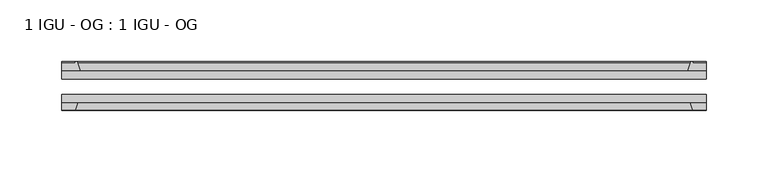
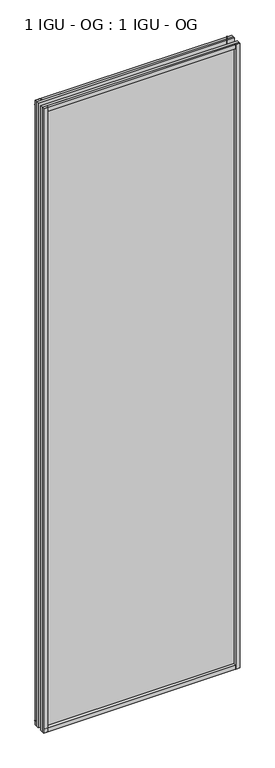
"""IFC4 building model written with IfcOpenShell, lengths in millimetres: plate geometry, 1 IGU - OG : 1 IGU - OG."""

from ifc_helpers import new_model, si_unit, point, frame, frame_2d, origin, place, context, project, spatial, polyline, circle_curve, trimmed, segment, composite_curve, outline, extrude, source, transform, mapped, element, save


def plate_1_igu_og_1_igu_og_d966d941(model_context):
    return source(origin(), model_context, "Body", "SweptSolid", [
        extrude(outline(polyline([(261.9375, -31.75), (261.9375, -38.1), (-261.9375, -38.1), (-261.9375, -31.75), (261.9375, -31.75)])), frame((0.0, 0.0, -11.1125), z_axis=(0.0, 0.0, 1.0), x_axis=(1.0, 0.0, 0.0)), (0.0, 0.0, 1.0), 1755.775),
        extrude(outline(polyline([(-261.9375, -12.7), (261.9375, -12.7), (261.9375, -19.05), (-261.9375, -19.05), (-261.9375, -12.7)])), frame((0.0, 0.0, -11.1125), z_axis=(0.0, 0.0, 1.0), x_axis=(1.0, 0.0, 0.0)), (0.0, 0.0, 1.0), 1755.775),
        extrude(outline(composite_curve([segment(polyline([(-246.6017091, -12.7), (-261.9375, -12.7), (-261.9375, -6.35), (-250.825, -6.35), (-250.825, -4.7751661), (-249.895586, -4.7751661)]), True, "CONTINUOUS"), segment(trimmed(circle_curve(frame_2d((-249.895586, -5.5371661)), 0.762), [point((-249.895586, -4.7751661))], [point((-249.1533761, -5.364631))], False, "CARTESIAN"), True, "CONTINUOUS"), segment(trimmed(circle_curve(frame_2d((-213.5241579, 2.9177851)), 36.5792237), [point((-249.1533761, -5.364631))], [point((-246.6017091, -12.7))], True, "CARTESIAN"), True, "CONTINUOUS")], self_intersect=False)), frame((0.0, 0.0, -11.1125), z_axis=(0.0, 0.0, 1.0), x_axis=(1.0, 0.0, 0.0)), (0.0, 0.0, 1.0), 1755.775),
        extrude(outline(polyline([(-261.9375, -38.1), (-248.7197229, -38.1), (-250.825, -44.45), (-261.9375, -44.45), (-261.9375, -38.1)])), frame((0.0, 0.0, -11.1125), z_axis=(0.0, 0.0, 1.0), x_axis=(1.0, 0.0, 0.0)), (0.0, 0.0, 1.0), 1755.775),
        extrude(outline(composite_curve([segment(trimmed(circle_curve(frame_2d((249.895586, -5.5371661)), 0.762), [point((249.1533761, -5.364631))], [point((249.895586, -4.7751661))], False, "CARTESIAN"), True, "CONTINUOUS"), segment(polyline([(249.895586, -4.7751661), (250.825, -4.7751661), (250.825, -6.35), (261.9375, -6.35), (261.9375, -12.7), (246.6017091, -12.7)]), True, "CONTINUOUS"), segment(trimmed(circle_curve(frame_2d((213.5241579, 2.9177851)), 36.5792237), [point((246.6017091, -12.7))], [point((249.1533761, -5.364631))], True, "CARTESIAN"), True, "CONTINUOUS")], self_intersect=False)), frame((0.0, 0.0, -11.1125), z_axis=(0.0, 0.0, 1.0), x_axis=(1.0, 0.0, 0.0)), (0.0, 0.0, 1.0), 1755.775),
        extrude(outline(polyline([(248.7197229, -38.1), (261.9375, -38.1), (261.9375, -44.45), (250.825, -44.45), (248.7197229, -38.1)])), frame((0.0, 0.0, -11.1125), z_axis=(0.0, 0.0, 1.0), x_axis=(1.0, 0.0, 0.0)), (0.0, 0.0, 1.0), 1755.775),
        extrude(outline(composite_curve([segment(polyline([(-12.7, -11.1125), (-12.7, 4.2232909)]), True, "CONTINUOUS"), segment(trimmed(circle_curve(frame_2d((2.9177851, 37.3008421)), 36.5792237), [point((-12.7, 4.2232909))], [point((-5.364631, 1.6716239))], True, "CARTESIAN"), True, "CONTINUOUS"), segment(trimmed(circle_curve(frame_2d((-5.5371661, 0.929414)), 0.762), [point((-5.364631, 1.6716239))], [point((-4.7751661, 0.929414))], False, "CARTESIAN"), True, "CONTINUOUS"), segment(polyline([(-4.7751661, 0.929414), (-4.7751661, 0.0), (-6.35, 0.0), (-6.35, -11.1125), (-12.7, -11.1125)]), True, "CONTINUOUS")], self_intersect=False)), frame((-261.9375, 0.0, 0.0), z_axis=(1.0, 0.0, 0.0), x_axis=(0.0, 1.0, 0.0)), (0.0, 0.0, 1.0), 523.875),
        extrude(outline(polyline([(-38.1, 2.1052771), (-38.1, -11.1125), (-44.45, -11.1125), (-44.45, 0.0), (-38.1, 2.1052771)])), frame((-261.9375, 0.0, 0.0), z_axis=(1.0, 0.0, 0.0), x_axis=(0.0, 1.0, 0.0)), (0.0, 0.0, 1.0), 523.875),
        extrude(outline(composite_curve([segment(trimmed(circle_curve(frame_2d((2.9177851, 1696.2491579)), 36.5792237), [point((-5.364631, 1731.8783761))], [point((-12.7, 1729.3267091))], True, "CARTESIAN"), True, "CONTINUOUS"), segment(polyline([(-12.7, 1729.3267091), (-12.7, 1744.6625), (-6.35, 1744.6625), (-6.35, 1733.55), (-4.7751661, 1733.55), (-4.7751661, 1732.620586)]), True, "CONTINUOUS"), segment(trimmed(circle_curve(frame_2d((-5.5371661, 1732.620586)), 0.762), [point((-4.7751661, 1732.620586))], [point((-5.364631, 1731.8783761))], False, "CARTESIAN"), True, "CONTINUOUS")], self_intersect=False)), frame((-261.9375, 0.0, 0.0), z_axis=(1.0, 0.0, 0.0), x_axis=(0.0, 1.0, 0.0)), (0.0, 0.0, 1.0), 523.875),
        extrude(outline(polyline([(-38.1, 1744.6625), (-38.1, 1731.4447229), (-44.45, 1733.55), (-44.45, 1744.6625), (-38.1, 1744.6625)])), frame((-261.9375, 0.0, 0.0), z_axis=(1.0, 0.0, 0.0), x_axis=(0.0, 1.0, 0.0)), (0.0, 0.0, 1.0), 523.875),
    ])


if __name__ == "__main__":
    model = new_model("IFC4")
    model_context = context("Model", 3, world=origin())
    ifc_project = project(units=[si_unit("LENGTHUNIT", "METRE", prefix="MILLI")], contexts=[model_context])
    site = spatial("IfcSite", under=ifc_project)
    building = spatial("IfcBuilding", under=site)
    placement = place(None, origin())
    plate_1_igu_og_1_igu_og_shape = plate_1_igu_og_1_igu_og_d966d941(model_context)
    element("IfcPlate", 1, ObjectType="1 IGU - OG : 1 IGU - OG", at=placement, inside=building, context=model_context, shape_type="MappedRepresentation", body=[
        mapped(plate_1_igu_og_1_igu_og_shape, transform((0.0, 0.0, 0.0), x_axis=(1.0, 0.0, 0.0), y_axis=(0.0, 1.0, 0.0), z_axis=(0.0, 0.0, 1.0))),
    ])
    save(model, "model.ifc")
